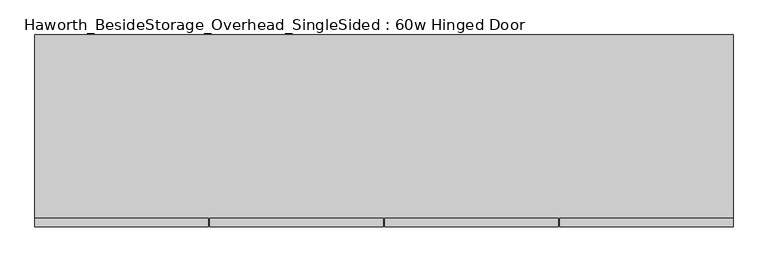
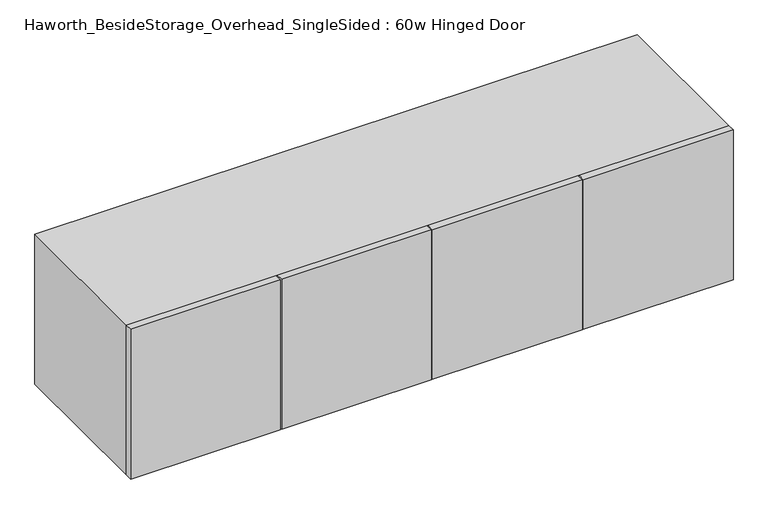
"""IFC4 building model written with IfcOpenShell, lengths in millimetres: furniture geometry, Haworth_BesideStorage_Overhead_SingleSided : 60w Hinged Door."""

from ifc_helpers import new_model, si_unit, frame, origin, place, context, project, spatial, polyline, outline, extrude, source, transform, mapped, element, save


def haworth_besidestorage_overhead_singlesided_60w_hinged_door_fe5d5b04(model_context):
    return source(origin(), model_context, "Body", "SweptSolid", [
        extrude(outline(polyline([(548.48125, -419.1), (548.48125, -400.05), (927.1, -400.05), (927.1, -419.1), (548.48125, -419.1)])), frame((0.0, 0.0, 762.0), z_axis=(0.0, 0.0, 1.0), x_axis=(1.0, 0.0, 0.0)), (0.0, 0.0, 1.0), 400.05),
        extrude(outline(polyline([(545.30625, -419.1), (166.6875, -419.1), (166.6875, -400.05), (545.30625, -400.05), (545.30625, -419.1)])), frame((0.0, 0.0, 762.0), z_axis=(0.0, 0.0, 1.0), x_axis=(1.0, 0.0, 0.0)), (0.0, 0.0, 1.0), 400.05),
        extrude(outline(polyline([(-215.10625, -419.1), (-215.10625, -400.05), (163.5125, -400.05), (163.5125, -419.1), (-215.10625, -419.1)])), frame((0.0, 0.0, 762.0), z_axis=(0.0, 0.0, 1.0), x_axis=(1.0, 0.0, 0.0)), (0.0, 0.0, 1.0), 400.05),
        extrude(outline(polyline([(-218.28125, -419.1), (-596.9, -419.1), (-596.9, -400.05), (-218.28125, -400.05), (-218.28125, -419.1)])), frame((0.0, 0.0, 762.0), z_axis=(0.0, 0.0, 1.0), x_axis=(1.0, 0.0, 0.0)), (0.0, 0.0, 1.0), 400.05),
        extrude(outline(polyline([(174.625, -400.05), (155.575, -400.05), (155.575, -19.05), (174.625, -19.05), (174.625, -400.05)])), frame((0.0, 0.0, 781.05), z_axis=(0.0, 0.0, 1.0), x_axis=(1.0, 0.0, 0.0)), (0.0, 0.0, 1.0), 361.95),
        extrude(outline(polyline([(908.05, -19.05), (-577.85, -19.05), (-577.85, 0.0), (908.05, 0.0), (908.05, -19.05)])), frame((0.0, 0.0, 781.05), z_axis=(0.0, 0.0, 1.0), x_axis=(1.0, 0.0, 0.0)), (0.0, 0.0, 1.0), 361.95),
        extrude(outline(polyline([(762.0, 927.1), (1162.05, 927.1), (1162.05, -596.9), (762.0, -596.9), (762.0, 927.1)]), holes=[polyline([(1143.0, 908.05), (781.05, 908.05), (781.05, -577.85), (1143.0, -577.85), (1143.0, 908.05)])]), frame((0.0, -400.05, 0.0), z_axis=(0.0, 1.0, 0.0), x_axis=(0.0, 0.0, 1.0)), (0.0, 0.0, 1.0), 400.05),
    ])


if __name__ == "__main__":
    model = new_model("IFC4")
    model_context = context("Model", 3, world=origin())
    ifc_project = project(units=[si_unit("LENGTHUNIT", "METRE", prefix="MILLI")], contexts=[model_context])
    site = spatial("IfcSite", under=ifc_project)
    building = spatial("IfcBuilding", under=site)
    placement = place(None, origin())
    haworth_besidestorage_overhead_singlesided_60w_hinged_door_shape = haworth_besidestorage_overhead_singlesided_60w_hinged_door_fe5d5b04(model_context)
    element("IfcFurniture", 1, ObjectType="Haworth_BesideStorage_Overhead_SingleSided : 60w Hinged Door", at=placement, inside=building, context=model_context, shape_type="MappedRepresentation", body=[
        mapped(haworth_besidestorage_overhead_singlesided_60w_hinged_door_shape, transform((0.0, 0.0, 0.0), x_axis=(1.0, 0.0, 0.0), y_axis=(0.0, 1.0, 0.0), z_axis=(0.0, 0.0, 1.0))),
    ])
    save(model, "model.ifc")
